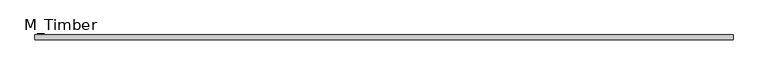
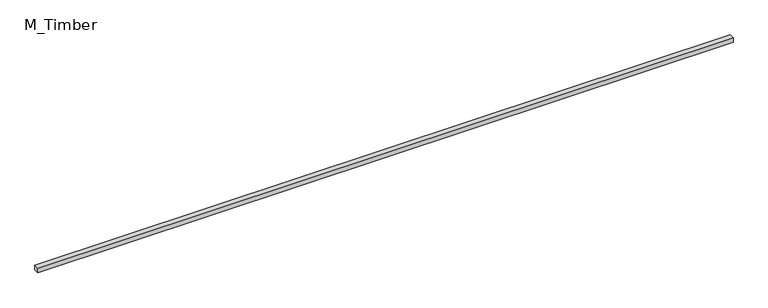
"""IFC4 building model written with IfcOpenShell, lengths in millimetres: beam geometry, M_Timber."""

from ifc_helpers import new_model, si_unit, frame, origin, place, context, project, spatial, polyline, outline, extrude, source, transform, mapped, element, save


def m_timber_8425dce2(model_context):
    return source(origin(), model_context, "Body", "SweptSolid", [
        extrude(outline(polyline([(2793.6298873, 20.0), (2793.6298873, -20.0), (-2793.6298873, -20.0), (-2793.6298873, 20.0), (2793.6298873, 20.0)])), frame((0.0, 0.0, -20.0), z_axis=(0.0, 0.0, 1.0), x_axis=(1.0, 0.0, 0.0)), (0.0, 0.0, 1.0), 40.0),
    ])


if __name__ == "__main__":
    model = new_model("IFC4")
    model_context = context("Model", 3, world=origin())
    ifc_project = project(units=[si_unit("LENGTHUNIT", "METRE", prefix="MILLI")], contexts=[model_context])
    site = spatial("IfcSite", under=ifc_project)
    building = spatial("IfcBuilding", under=site)
    placement = place(None, origin())
    m_timber_shape = m_timber_8425dce2(model_context)
    element("IfcBeam", 1, ObjectType="M_Timber", at=placement, inside=building, context=model_context, shape_type="MappedRepresentation", body=[
        mapped(m_timber_shape, transform((0.0, 0.0, 0.0), x_axis=(1.0, 0.0, 0.0), y_axis=(0.0, 1.0, 0.0), z_axis=(0.0, 0.0, 1.0))),
    ])
    save(model, "model.ifc")
